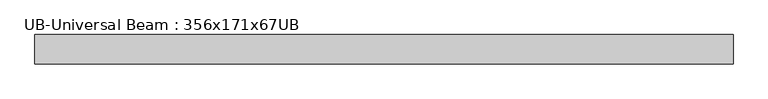
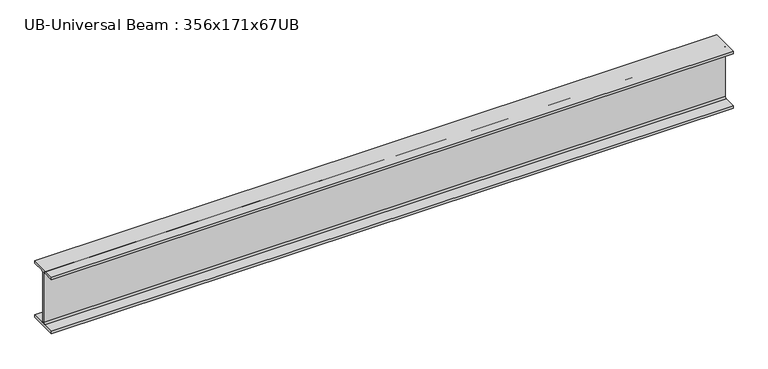
"""IFC4 building model written with IfcOpenShell, lengths in millimetres: beam geometry, UB-Universal Beam : 356x171x67UB."""

from ifc_helpers import new_model, si_unit, point, frame, frame_2d, origin, place, context, project, spatial, polyline, circle_curve, trimmed, segment, composite_curve, outline, extrude, source, transform, mapped, element, save


def ub_universal_beam_356x171x67ub_a614b748(model_context):
    return source(origin(), model_context, "Body", "SweptSolid", [
        extrude(outline(composite_curve([segment(polyline([(86.6, -166.0), (86.6, -181.7), (-86.6, -181.7), (-86.6, -166.0), (-14.75, -166.0)]), True, "CONTINUOUS"), segment(trimmed(circle_curve(frame_2d((-14.75, -155.8)), 10.2), [point((-14.75, -166.0))], [point((-4.55, -155.8))], True, "CARTESIAN"), True, "CONTINUOUS"), segment(polyline([(-4.55, -155.8), (-4.55, 155.8)]), True, "CONTINUOUS"), segment(trimmed(circle_curve(frame_2d((-14.75, 155.8)), 10.2), [point((-4.55, 155.8))], [point((-14.75, 166.0))], True, "CARTESIAN"), True, "CONTINUOUS"), segment(polyline([(-14.75, 166.0), (-86.6, 166.0), (-86.6, 181.7), (86.6, 181.7), (86.6, 166.0), (14.75, 166.0)]), True, "CONTINUOUS"), segment(trimmed(circle_curve(frame_2d((14.75, 155.8)), 10.2), [point((14.75, 166.0))], [point((4.55, 155.8))], True, "CARTESIAN"), True, "CONTINUOUS"), segment(polyline([(4.55, 155.8), (4.55, -155.8)]), True, "CONTINUOUS"), segment(trimmed(circle_curve(frame_2d((14.75, -155.8)), 10.2), [point((4.55, -155.8))], [point((14.75, -166.0))], True, "CARTESIAN"), True, "CONTINUOUS"), segment(polyline([(14.75, -166.0), (86.6, -166.0)]), True, "CONTINUOUS")], self_intersect=False)), frame((-2071.6213108, 0.0, 0.0), z_axis=(1.0, 0.0, 0.0), x_axis=(0.0, 1.0, 0.0)), (0.0, 0.0, 1.0), 4126.9213108),
    ])


if __name__ == "__main__":
    model = new_model("IFC4")
    model_context = context("Model", 3, world=origin())
    ifc_project = project(units=[si_unit("LENGTHUNIT", "METRE", prefix="MILLI")], contexts=[model_context])
    site = spatial("IfcSite", under=ifc_project)
    building = spatial("IfcBuilding", under=site)
    placement = place(None, origin())
    ub_universal_beam_356x171x67ub_shape = ub_universal_beam_356x171x67ub_a614b748(model_context)
    element("IfcBeam", 1, ObjectType="UB-Universal Beam : 356x171x67UB", at=placement, inside=building, context=model_context, shape_type="MappedRepresentation", body=[
        mapped(ub_universal_beam_356x171x67ub_shape, transform((0.0, 0.0, 0.0), x_axis=(1.0, 0.0, 0.0), y_axis=(0.0, 1.0, 0.0), z_axis=(0.0, 0.0, 1.0))),
    ])
    save(model, "model.ifc")
